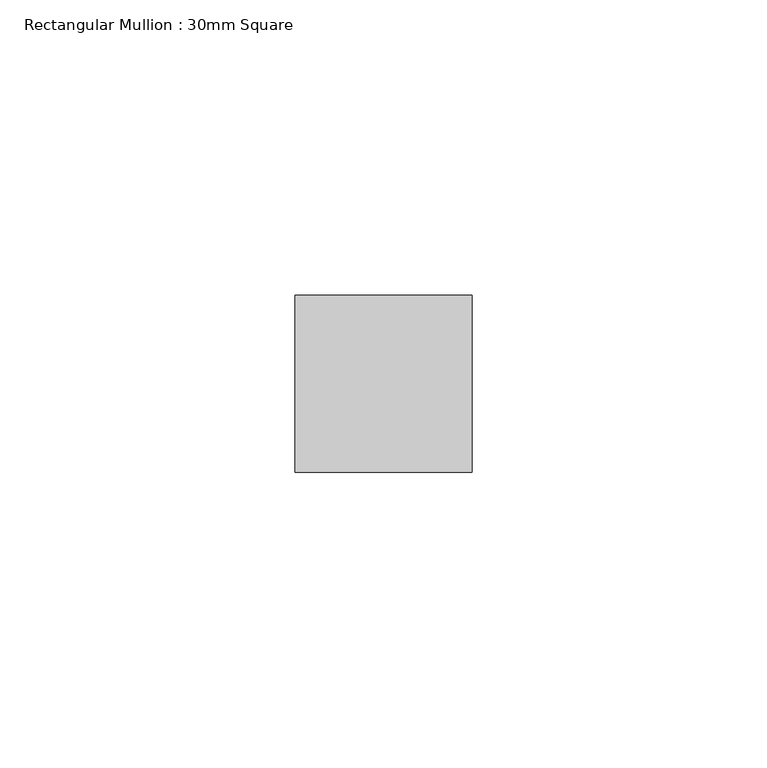
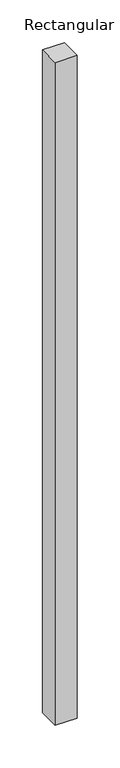
"""IFC4 building model written with IfcOpenShell, lengths in millimetres: member geometry, Rectangular Mullion : 30mm Square."""

from ifc_helpers import new_model, si_unit, frame, origin, place, context, project, spatial, polyline, outline, extrude, source, transform, mapped, element, save


def rectangular_mullion_30mm_square_0a6f6cb5(model_context):
    return source(origin(), model_context, "Body", "SweptSolid", [
        extrude(outline(polyline([(15.0, 15.0), (15.0, -15.0), (-15.0, -15.0), (-15.0, 15.0), (15.0, 15.0)])), frame((0.0, 0.0, -950.6169642), z_axis=(0.0, 0.0, 1.0), x_axis=(1.0, 0.0, 0.0)), (0.0, 0.0, 1.0), 950.6169642),
    ])


if __name__ == "__main__":
    model = new_model("IFC4")
    model_context = context("Model", 3, world=origin())
    ifc_project = project(units=[si_unit("LENGTHUNIT", "METRE", prefix="MILLI")], contexts=[model_context])
    site = spatial("IfcSite", under=ifc_project)
    building = spatial("IfcBuilding", under=site)
    placement = place(None, origin())
    rectangular_mullion_30mm_square_shape = rectangular_mullion_30mm_square_0a6f6cb5(model_context)
    element("IfcMember", 1, ObjectType="Rectangular Mullion : 30mm Square", at=placement, inside=building, context=model_context, shape_type="MappedRepresentation", body=[
        mapped(rectangular_mullion_30mm_square_shape, transform((0.0, 0.0, 0.0), x_axis=(1.0, 0.0, 0.0), y_axis=(0.0, 1.0, 0.0), z_axis=(0.0, 0.0, 1.0))),
    ])
    save(model, "model.ifc")
